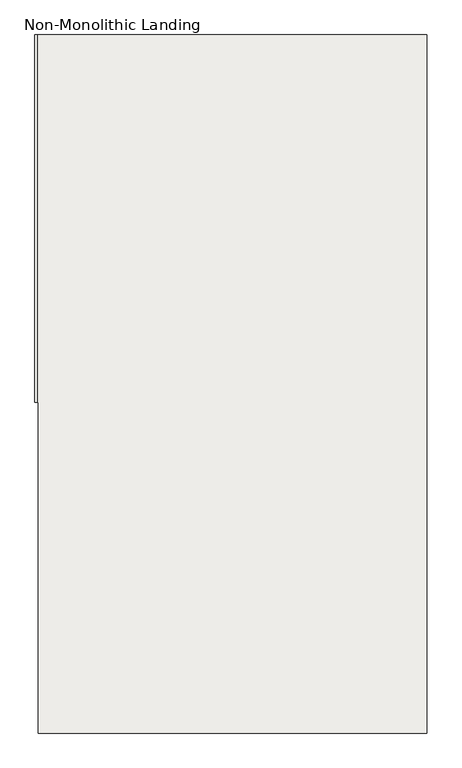
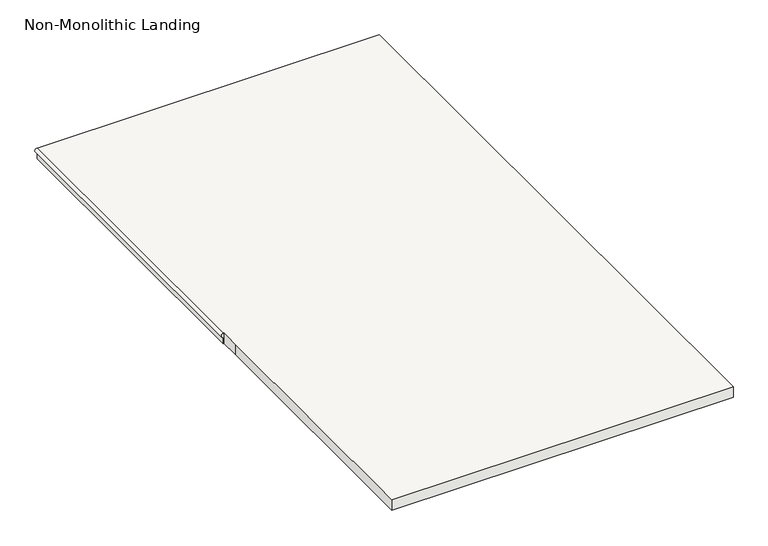
"""IFC4 building model written with IfcOpenShell, lengths in millimetres: slab geometry, Non-Monolithic Landing."""

from ifc_helpers import new_model, si_unit, frame, origin, place, context, project, spatial, circle_curve, source, transform, mapped, element, save
from ifc_brep_helpers import plane_surface, cylinder_surface, advanced_brep


def non_monolithic_landing_22e0624b(model_context):
    return source(origin(), model_context, "Body", "AdvancedBrep", [
        advanced_brep(
        [(-21210.801725, 15776.3068866, 5230.0), (-21210.801725, 15776.3068866, 5250.0), (-21210.801725, 17246.6695544, 5250.0), (-21210.801725, 17246.6695544, 5230.0), (-21208.301725, 15776.3068866, 5250.0), (-21208.301725, 15688.4068866, 5250.0), (-21208.301725, 14451.3039623, 5250.0), (-19652.051843, 14451.3039623, 5250.0), (-19652.051843, 17246.6695544, 5250.0), (-21210.801725, 15776.3068866, 5200.0), (-21210.801725, 17246.6695544, 5200.0), (-19652.051843, 17246.6695544, 5200.0), (-19652.051843, 14451.3039623, 5200.0), (-21208.301725, 14451.3039623, 5200.0), (-21208.301725, 15688.4068866, 5200.0), (-21208.301725, 15776.3068866, 5200.0)],
        [
            (0, 1, circle_curve(frame((-21210.801725, 15776.3068866, 5240.0), z_axis=(0.0, 1.0, 0.0), x_axis=(1.0, 0.0, 0.0)), 10.0)),
            (1, 2),
            (2, 3, circle_curve(frame((-21210.801725, 17246.6695544, 5240.0), z_axis=(0.0, -1.0, 0.0), x_axis=(1.0, 0.0, 0.0)), 10.0)),
            (3, 0),
            (1, 4),
            (4, 5),
            (5, 6),
            (6, 7),
            (7, 8),
            (8, 2),
            (9, 10),
            (10, 11),
            (11, 12),
            (12, 13),
            (13, 14),
            (14, 15),
            (15, 9),
            (9, 0),
            (3, 10),
            (15, 4),
            (14, 5),
            (13, 6),
            (12, 7),
            (11, 8),
        ],
        [
            cylinder_surface(frame((-21210.801725, 15776.3068866, 5240.0), z_axis=(0.0, -1.0, 0.0), x_axis=(1.0, 0.0, 0.0)), 10.0),
            plane_surface(frame((-21210.801725, 17246.6695544, 5250.0), z_axis=(0.0, 0.0, 1.0), x_axis=(0.0, -1.0, 0.0))),
            plane_surface(frame((-21210.801725, 17246.6695544, 5200.0), z_axis=(0.0, 0.0, -1.0), x_axis=(0.0, 1.0, 0.0))),
            plane_surface(frame((-21210.801725, 17246.6695544, 5250.0), z_axis=(-1.0, 0.0, 0.0), x_axis=(0.0, 0.0, -1.0))),
            plane_surface(frame((-21210.801725, 15776.3068866, 5250.0), z_axis=(0.0, -1.0, 0.0), x_axis=(0.0, 0.0, -1.0))),
            plane_surface(frame((-21208.301725, 15776.3068866, 5250.0), z_axis=(-1.0, 0.0, 0.0), x_axis=(0.0, 0.0, -1.0))),
            plane_surface(frame((-21208.301725, 15688.4068866, 5250.0), z_axis=(-1.0, 0.0, 0.0), x_axis=(0.0, 0.0, -1.0))),
            plane_surface(frame((-21208.301725, 14451.3039623, 5250.0), z_axis=(0.0, -1.0, 0.0), x_axis=(0.0, 0.0, -1.0))),
            plane_surface(frame((-19652.051843, 14451.3039623, 5250.0), z_axis=(1.0, 0.0, 0.0), x_axis=(0.0, 0.0, -1.0))),
            plane_surface(frame((-19652.051843, 17246.6695544, 5250.0), z_axis=(0.0, 1.0, 0.0), x_axis=(0.0, 0.0, -1.0))),
        ],
        [
            (0, [[1, 2, 3, 4]]),
            (1, [[5, 6, 7, 8, 9, 10, -2]]),
            (2, [[11, 12, 13, 14, 15, 16, 17]]),
            (3, [[-11, 18, -4, 19]]),
            (4, [[-5, -1, -18, -17, 20]]),
            (5, [[-6, -20, -16, 21]]),
            (6, [[-7, -21, -15, 22]]),
            (7, [[-8, -22, -14, 23]]),
            (8, [[-9, -23, -13, 24]]),
            (9, [[-10, -24, -12, -19, -3]]),
        ],
    ),
    ])


if __name__ == "__main__":
    model = new_model("IFC4")
    model_context = context("Model", 3, world=origin())
    ifc_project = project(units=[si_unit("LENGTHUNIT", "METRE", prefix="MILLI")], contexts=[model_context])
    site = spatial("IfcSite", under=ifc_project)
    building = spatial("IfcBuilding", under=site)
    placement = place(None, origin())
    non_monolithic_landing_shape = non_monolithic_landing_22e0624b(model_context)
    element("IfcSlab", 1, ObjectType="Non-Monolithic Landing", at=placement, inside=building, context=model_context, shape_type="MappedRepresentation", body=[
        mapped(non_monolithic_landing_shape, transform((0.0, 0.0, 0.0), x_axis=(1.0, 0.0, 0.0), y_axis=(0.0, 1.0, 0.0), z_axis=(0.0, 0.0, 1.0))),
    ])
    save(model, "model.ifc")
